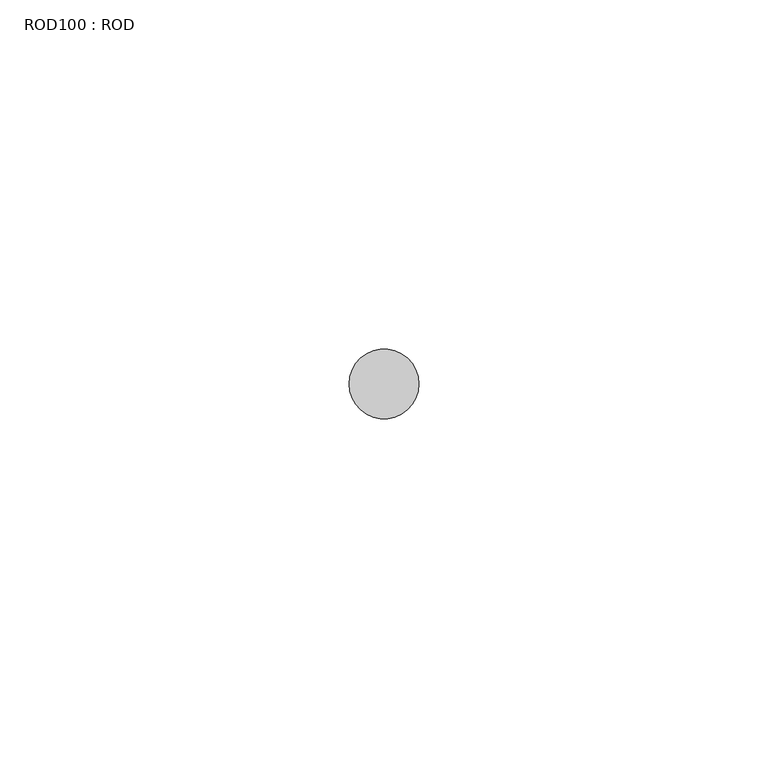
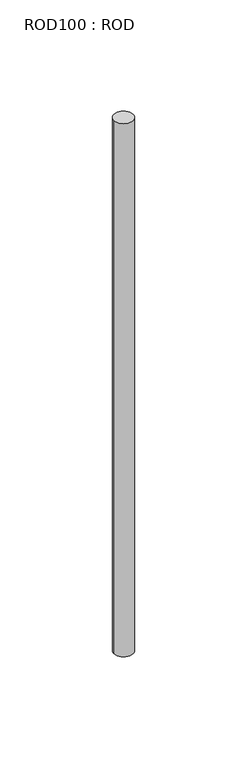
"""IFC4 building model written with IfcOpenShell, lengths in millimetres: proxy geometry, ROD100 : ROD."""

from ifc_helpers import new_model, si_unit, point, frame, frame_2d, origin, place, context, project, spatial, circle_curve, trimmed, segment, composite_curve, outline, extrude, source, transform, mapped, element, save


def rod100_rod_47373ecb(model_context):
    return source(origin(), model_context, "Body", "SweptSolid", [
        extrude(outline(composite_curve([segment(trimmed(circle_curve(frame_2d((-1747.2215616, -12414.6300853)), 5.0), [point((-1752.2215616, -12414.6300853))], [point((-1742.2215616, -12414.6300853))], False, "CARTESIAN"), True, "CONTINUOUS"), segment(trimmed(circle_curve(frame_2d((-1747.2215616, -12414.6300853)), 5.0), [point((-1742.2215616, -12414.6300853))], [point((-1752.2215616, -12414.6300853))], False, "CARTESIAN"), True, "CONTINUOUS")], self_intersect=False)), frame((0.0, 0.0, -208.6608845), z_axis=(0.0, 0.0, 1.0), x_axis=(1.0, 0.0, 0.0)), (0.0, 0.0, 1.0), 298.9028972),
    ])


if __name__ == "__main__":
    model = new_model("IFC4")
    model_context = context("Model", 3, world=origin())
    ifc_project = project(units=[si_unit("LENGTHUNIT", "METRE", prefix="MILLI")], contexts=[model_context])
    site = spatial("IfcSite", under=ifc_project)
    building = spatial("IfcBuilding", under=site)
    placement = place(None, origin())
    rod100_rod_shape = rod100_rod_47373ecb(model_context)
    element("IfcBuildingElementProxy", 1, Name="ROD100 : ROD", ObjectType="ROD100 : ROD", at=placement, inside=building, context=model_context, shape_type="MappedRepresentation", body=[
        mapped(rod100_rod_shape, transform((0.0, 0.0, 0.0), x_axis=(1.0, 0.0, 0.0), y_axis=(0.0, 1.0, 0.0), z_axis=(0.0, 0.0, 1.0))),
    ])
    save(model, "model.ifc")
